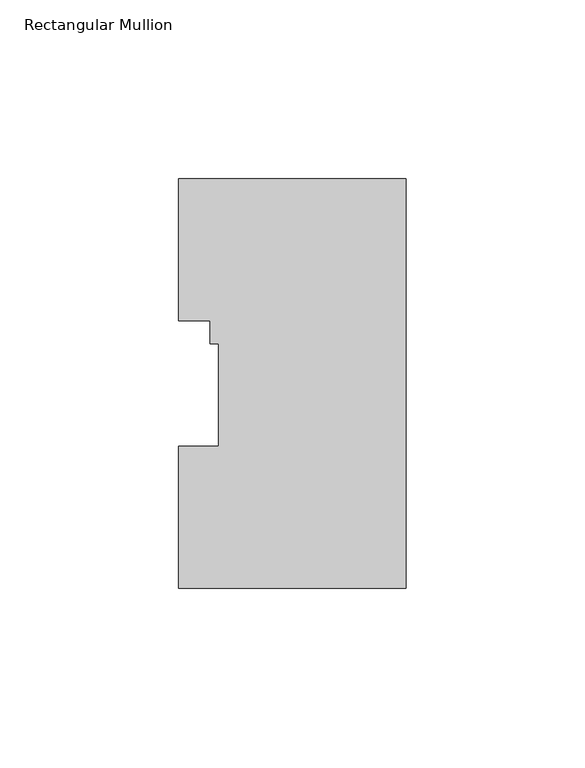
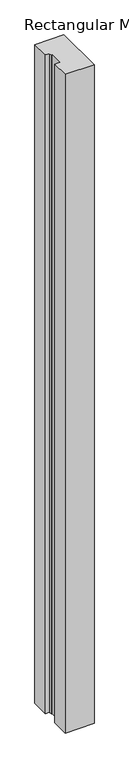
"""IFC4 building model written with IfcOpenShell, lengths in millimetres: member geometry, Rectangular Mullion."""

from ifc_helpers import new_model, si_unit, frame, origin, place, context, project, spatial, polyline, outline, extrude, source, transform, mapped, element, save


def rectangular_mullion_aec0e5f7(model_context):
    return source(origin(), model_context, "Body", "SweptSolid", [
        extrude(outline(polyline([(-63.5, 114.271425), (0.0, 114.271425), (0.0, -0.028575), (-63.5, -0.028575), (-63.5, 39.646225), (-52.3875, 39.646225), (-52.3875, 68.246625), (-54.7624, 68.246625), (-54.7624, 74.596625), (-63.5, 74.596625), (-63.5, 114.271425)])), frame((0.0, 0.0, -1524.0), z_axis=(0.0, 0.0, 1.0), x_axis=(1.0, 0.0, 0.0)), (0.0, 0.0, 1.0), 1524.0),
    ])


if __name__ == "__main__":
    model = new_model("IFC4")
    model_context = context("Model", 3, world=origin())
    ifc_project = project(units=[si_unit("LENGTHUNIT", "METRE", prefix="MILLI")], contexts=[model_context])
    site = spatial("IfcSite", under=ifc_project)
    building = spatial("IfcBuilding", under=site)
    placement = place(None, origin())
    rectangular_mullion_shape = rectangular_mullion_aec0e5f7(model_context)
    element("IfcMember", 1, ObjectType="Rectangular Mullion", at=placement, inside=building, context=model_context, shape_type="MappedRepresentation", body=[
        mapped(rectangular_mullion_shape, transform((0.0, 0.0, 0.0), x_axis=(1.0, 0.0, 0.0), y_axis=(0.0, 1.0, 0.0), z_axis=(0.0, 0.0, 1.0))),
    ])
    save(model, "model.ifc")
